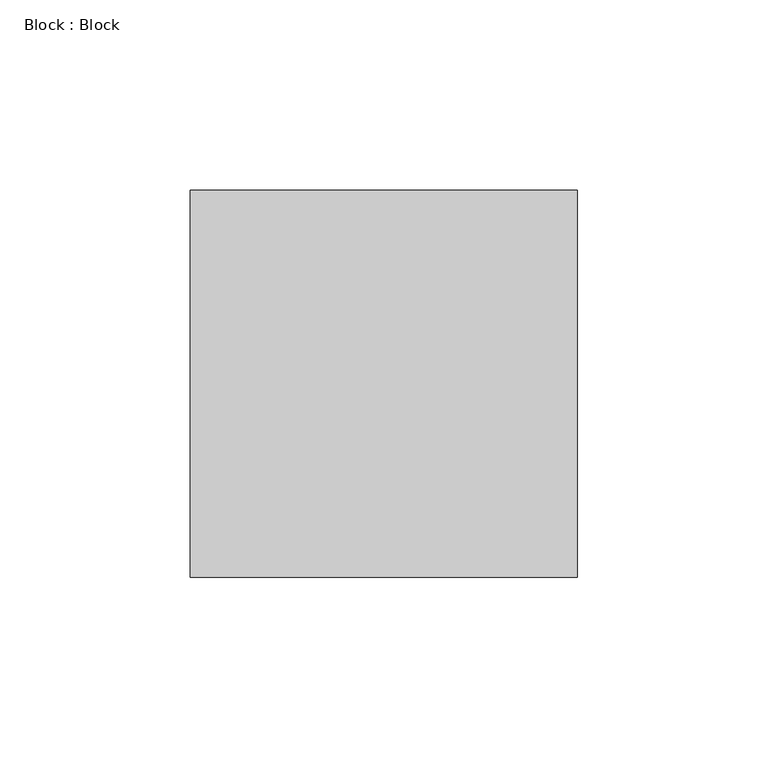
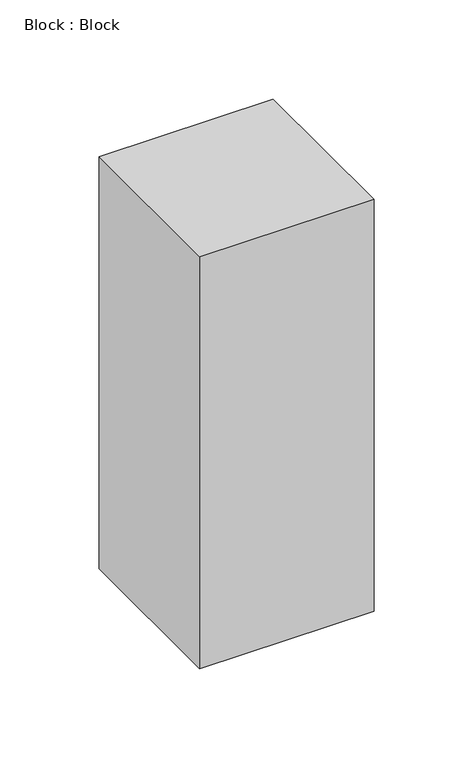
"""IFC4 building model written with IfcOpenShell, lengths in millimetres: furniture geometry, Block : Block."""

import ifcopenshell
import ifcopenshell.guid

model = None  # the IFC model being written
_history = None  # IfcOwnerHistory: only IFC2X3 demands one
_inside = {}  # id of a spatial element -> (the spatial element, [elements in it])
_under = {}  # id of a project, library or spatial element -> (it, [spatial elements below it])
_declared = {}  # id of a project -> (the project, [libraries it declares])
_typed = {}  # id of a type object -> (the type object, [elements of that type])
_made_of = {}  # id of a material, layer set ... -> (it, [elements and type objects made of it])


def new_model(schema):
    """Start an empty IFC model of exactly this schema.

    Asked for "IFC4X3", IfcOpenShell would pick the latest addendum, in which some entities
    have other attributes; the version numbers below select the first issue.
    IFC2X3 requires an IfcOwnerHistory on every rooted entity: one is made here for all.
    """
    global model, _history
    if schema == "IFC4X3":
        model = ifcopenshell.file(schema_version=(4, 3, 0, 0))
    else:
        model = ifcopenshell.file(schema=schema)
    _inside.clear()
    _under.clear()
    _declared.clear()
    _typed.clear()
    _made_of.clear()
    _history = None
    if model.schema == "IFC2X3":
        org = make("IfcOrganization", Name="unknown")
        user = make(
            "IfcPersonAndOrganization",
            ThePerson=make("IfcPerson", FamilyName="unknown"),
            TheOrganization=org,
        )
        app = make(
            "IfcApplication",
            ApplicationDeveloper=org,
            Version="unknown",
            ApplicationFullName="unknown",
            ApplicationIdentifier="unknown",
        )
        _history = make(
            "IfcOwnerHistory",
            OwningUser=user,
            OwningApplication=app,
            ChangeAction="ADDED",
            CreationDate=0,
        )
    return model


def make(cls, **values):
    """One entity of the class cls with the attributes given. An attribute that is None is left unset."""
    return model.create_entity(
        cls, **{name: value for name, value in values.items() if value is not None}
    )


def rooted(cls, **values):
    """An entity with a GlobalId (a new one), such as an element, a storey or a relation."""
    return make(cls, GlobalId=ifcopenshell.guid.new(), OwnerHistory=_history, **values)


def si_unit(unit_type, name, prefix=None):
    """IfcSIUnit, for example si_unit("LENGTHUNIT", "METRE", prefix="MILLI")."""
    return make("IfcSIUnit", UnitType=unit_type, Prefix=prefix, Name=name)


def assignment(units):
    """IfcUnitAssignment: the units of a project."""
    return None if units is None else make("IfcUnitAssignment", Units=units)


def point(xyz):
    """IfcCartesianPoint."""
    return None if xyz is None else make("IfcCartesianPoint", Coordinates=xyz)


def direction(xyz):
    """IfcDirection."""
    return None if xyz is None else make("IfcDirection", DirectionRatios=xyz)


def frame(location, z_axis=None, x_axis=None):
    """IfcAxis2Placement3D, a coordinate frame: its origin and axes. An axis left out is left unset."""
    return make(
        "IfcAxis2Placement3D",
        Location=point(location),
        Axis=direction(z_axis),
        RefDirection=direction(x_axis),
    )


def origin():
    """The frame at (0, 0, 0) with its axes left unset."""
    return frame((0.0, 0.0, 0.0))


def origin_with_axes():
    """The frame at (0, 0, 0) with the z axis (0, 0, 1) and the x axis (1, 0, 0) written out."""
    return frame((0.0, 0.0, 0.0), z_axis=(0.0, 0.0, 1.0), x_axis=(1.0, 0.0, 0.0))


def place(relative_to, where):
    """IfcLocalPlacement: puts the frame where relative to a parent placement (None: the world)."""
    return make(
        "IfcLocalPlacement", PlacementRelTo=relative_to, RelativePlacement=where
    )


def context(
    kind, dimensions, precision=None, world=None, true_north=None, identifier=None
):
    """IfcGeometricRepresentationContext, for example the 3D "Model" context."""
    return make(
        "IfcGeometricRepresentationContext",
        ContextIdentifier=identifier,
        ContextType=kind,
        CoordinateSpaceDimension=dimensions,
        Precision=precision,
        WorldCoordinateSystem=world,
        TrueNorth=true_north,
    )


def project(units=None, contexts=None):
    """IfcProject with its units and contexts."""
    return rooted(
        "IfcProject",
        Name="project",
        RepresentationContexts=contexts,
        UnitsInContext=assignment(units),
    )


def spatial(cls, under=None, at=None, **own):
    """A site, building, storey or space (cls), placed at a placement, below another one or the project."""
    s = rooted(cls, ObjectPlacement=at, **own)
    if under is not None:
        _under.setdefault(under.id(), (under, []))[1].append(s)
    return s


def polyline(points):
    """IfcPolyline through the points."""
    return make("IfcPolyline", Points=[point(p) for p in points])


def outline(outer, holes=None, kind="AREA"):
    """IfcArbitraryClosedProfileDef: a profile drawn as a closed curve; with holes, ...WithVoids."""
    if holes is None:
        return make("IfcArbitraryClosedProfileDef", ProfileType=kind, OuterCurve=outer)
    return make(
        "IfcArbitraryProfileDefWithVoids",
        ProfileType=kind,
        OuterCurve=outer,
        InnerCurves=holes,
    )


def extrude(swept, where, along, depth):
    """IfcExtrudedAreaSolid: the profile swept, set in the frame where, extruded along a direction by depth."""
    return make(
        "IfcExtrudedAreaSolid",
        SweptArea=swept,
        Position=where,
        ExtrudedDirection=direction(along),
        Depth=depth,
    )


def shape(context_of_items, identifier, shape_type, items):
    """IfcShapeRepresentation: the items that make up one representation, for example the "Body"."""
    return make(
        "IfcShapeRepresentation",
        ContextOfItems=context_of_items,
        RepresentationIdentifier=identifier,
        RepresentationType=shape_type,
        Items=items,
    )


def source(mapping_origin, context_of_items, identifier, shape_type, items):
    """IfcRepresentationMap: a shape defined once, which mapped items show again and again."""
    return make(
        "IfcRepresentationMap",
        MappingOrigin=mapping_origin,
        MappedRepresentation=shape(context_of_items, identifier, shape_type, items),
    )


def transform(
    local_origin,
    x_axis=None,
    y_axis=None,
    z_axis=None,
    scale=None,
    scale2=None,
    scale3=None,
    uniform=True,
):
    """IfcCartesianTransformationOperator3D, or its non-uniform kind. x_axis, y_axis, z_axis: its Axis1, 2, 3."""
    if uniform:
        return make(
            "IfcCartesianTransformationOperator3D",
            Axis1=direction(x_axis),
            Axis2=direction(y_axis),
            LocalOrigin=point(local_origin),
            Scale=scale,
            Axis3=direction(z_axis),
        )
    return make(
        "IfcCartesianTransformationOperator3DnonUniform",
        Axis1=direction(x_axis),
        Axis2=direction(y_axis),
        LocalOrigin=point(local_origin),
        Scale=scale,
        Axis3=direction(z_axis),
        Scale2=scale2,
        Scale3=scale3,
    )


def mapped(mapping_source, mapping_target):
    """IfcMappedItem: shows the shape of a source again, moved by a transform."""
    return make(
        "IfcMappedItem", MappingSource=mapping_source, MappingTarget=mapping_target
    )


def made_of(thing, what):
    """Note that an element or type object is made of a material, layer set ...; save() writes the relation."""
    if what is not None:
        _made_of.setdefault(what.id(), (what, []))[1].append(thing)
    return thing


def element(
    cls,
    number,
    at=None,
    inside=None,
    cuts=None,
    type_object=None,
    material=None,
    context=None,
    identifier="Body",
    shape_type=None,
    held_by="IfcProductDefinitionShape",
    body=None,
    shapes=None,
    **own,
):
    """One element of the class cls, such as IfcWall. Its Tag is "e" and its number.

    at: its placement. inside: the storey or other place that contains it. cuts: it is an
    opening in that element (IfcRelVoidsElement). A single representation is given by context,
    identifier, shape_type and body (its items); several are given by shapes. held_by: the class
    of the entity that holds the representations. save() writes the other relations.
    """
    e = rooted(cls, Tag="e%d" % number, ObjectPlacement=at, **own)
    if body is not None:
        shapes = [shape(context, identifier, shape_type, body)]
    if shapes is not None:
        e.Representation = make(held_by, Representations=shapes)
    if inside is not None:
        _inside.setdefault(inside.id(), (inside, []))[1].append(e)
    if cuts is not None:
        rooted(
            "IfcRelVoidsElement", RelatingBuildingElement=cuts, RelatedOpeningElement=e
        )
    if type_object is not None:
        _typed.setdefault(type_object.id(), (type_object, []))[1].append(e)
    return made_of(e, material)


def aggregate(whole, parts):
    """IfcRelAggregates: a whole, such as a stair, and the parts it consists of."""
    return rooted("IfcRelAggregates", RelatingObject=whole, RelatedObjects=parts)


def save(model, path):
    """Write the relations noted so far, then the file.

    IfcRelAggregates (storeys below a building ...), IfcRelContainedInSpatialStructure (elements
    in a storey), IfcRelDefinesByType, IfcRelAssociatesMaterial and IfcRelDeclares: one each for
    every whole, place, type object, material and project.
    """
    for whole, parts in _under.values():
        aggregate(whole, parts)
    for where, things in _inside.values():
        rooted(
            "IfcRelContainedInSpatialStructure",
            RelatedElements=things,
            RelatingStructure=where,
        )
    for kind, things in _typed.values():
        rooted("IfcRelDefinesByType", RelatedObjects=things, RelatingType=kind)
    for what, things in _made_of.values():
        rooted("IfcRelAssociatesMaterial", RelatedObjects=things, RelatingMaterial=what)
    for by, libraries in _declared.values():
        rooted("IfcRelDeclares", RelatingContext=by, RelatedDefinitions=libraries)
    model.write(path)


def block_block_369038a1(model_context):
    return source(origin(), model_context, "Body", "SweptSolid", [
        extrude(outline(polyline([(50.8, -50.8), (-50.8, -50.8), (-50.8, 50.8), (50.8, 50.8), (50.8, -50.8)])), origin_with_axes(), (0.0, 0.0, 1.0), 254.0),
    ])


if __name__ == "__main__":
    model = new_model("IFC4")
    model_context = context("Model", 3, world=origin())
    ifc_project = project(units=[si_unit("LENGTHUNIT", "METRE", prefix="MILLI")], contexts=[model_context])
    site = spatial("IfcSite", under=ifc_project)
    building = spatial("IfcBuilding", under=site)
    placement = place(None, origin())
    block_block_shape = block_block_369038a1(model_context)
    element("IfcFurniture", 1, ObjectType="Block : Block", at=placement, inside=building, context=model_context, shape_type="MappedRepresentation", body=[
        mapped(block_block_shape, transform((0.0, 0.0, 0.0), x_axis=(1.0, 0.0, 0.0), y_axis=(0.0, 1.0, 0.0), z_axis=(0.0, 0.0, 1.0))),
    ])
    save(model, "model.ifc")
